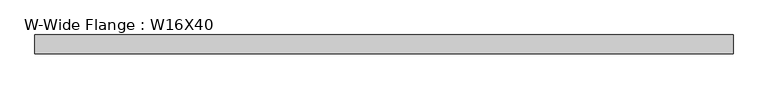
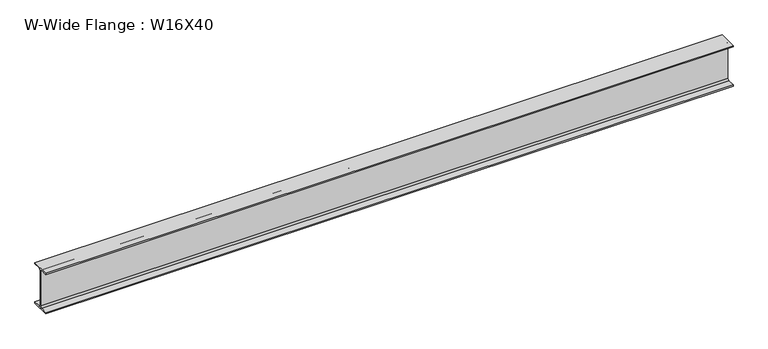
"""IFC4 building model written with IfcOpenShell, lengths in millimetres: beam geometry, W-Wide Flange : W16X40."""

from ifc_helpers import new_model, si_unit, point, frame, frame_2d, origin, place, context, project, spatial, polyline, circle_curve, trimmed, segment, composite_curve, outline, extrude, source, transform, mapped, element, save


def w_wide_flange_w16x40_cfe46ff2(model_context):
    return source(origin(), model_context, "Body", "SweptSolid", [
        extrude(outline(composite_curve([segment(polyline([(88.9, -190.4), (88.9, -203.2), (-88.9, -203.2), (-88.9, -190.4), (-21.25, -190.4)]), True, "CONTINUOUS"), segment(trimmed(circle_curve(frame_2d((-21.25, -173.0)), 17.4), [point((-21.25, -190.4))], [point((-3.85, -173.0))], True, "CARTESIAN"), True, "CONTINUOUS"), segment(polyline([(-3.85, -173.0), (-3.85, 173.0)]), True, "CONTINUOUS"), segment(trimmed(circle_curve(frame_2d((-21.25, 173.0)), 17.4), [point((-3.85, 173.0))], [point((-21.25, 190.4))], True, "CARTESIAN"), True, "CONTINUOUS"), segment(polyline([(-21.25, 190.4), (-88.9, 190.4), (-88.9, 203.2), (88.9, 203.2), (88.9, 190.4), (21.25, 190.4)]), True, "CONTINUOUS"), segment(trimmed(circle_curve(frame_2d((21.25, 173.0)), 17.4), [point((21.25, 190.4))], [point((3.85, 173.0))], True, "CARTESIAN"), True, "CONTINUOUS"), segment(polyline([(3.85, 173.0), (3.85, -173.0)]), True, "CONTINUOUS"), segment(trimmed(circle_curve(frame_2d((21.25, -173.0)), 17.4), [point((3.85, -173.0))], [point((21.25, -190.4))], True, "CARTESIAN"), True, "CONTINUOUS"), segment(polyline([(21.25, -190.4), (88.9, -190.4)]), True, "CONTINUOUS")], self_intersect=False)), frame((-1563.2333755, 0.0, 0.0), z_axis=(1.0, 0.0, 0.0), x_axis=(0.0, 1.0, 0.0)), (0.0, 0.0, 1.0), 6517.8811023),
    ])


if __name__ == "__main__":
    model = new_model("IFC4")
    model_context = context("Model", 3, world=origin())
    ifc_project = project(units=[si_unit("LENGTHUNIT", "METRE", prefix="MILLI")], contexts=[model_context])
    site = spatial("IfcSite", under=ifc_project)
    building = spatial("IfcBuilding", under=site)
    placement = place(None, origin())
    w_wide_flange_w16x40_shape = w_wide_flange_w16x40_cfe46ff2(model_context)
    element("IfcBeam", 1, ObjectType="W-Wide Flange : W16X40", at=placement, inside=building, context=model_context, shape_type="MappedRepresentation", body=[
        mapped(w_wide_flange_w16x40_shape, transform((0.0, 0.0, 0.0), x_axis=(1.0, 0.0, 0.0), y_axis=(0.0, 1.0, 0.0), z_axis=(0.0, 0.0, 1.0))),
    ])
    save(model, "model.ifc")
